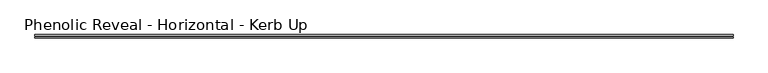
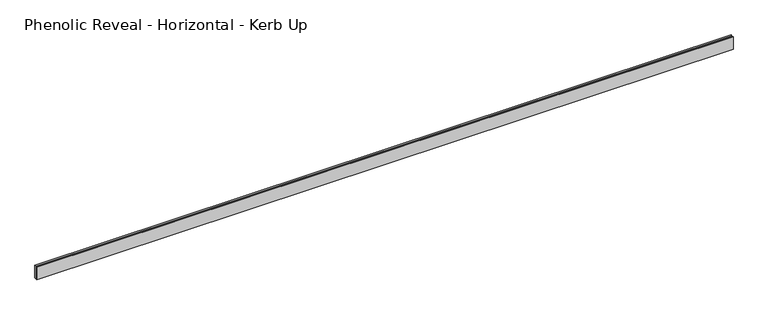
"""IFC4 building model written with IfcOpenShell, lengths in millimetres: proxy geometry, Phenolic Reveal - Horizontal - Kerb Up."""

from ifc_helpers import new_model, si_unit, origin, place, context, project, spatial, faceted_brep, source, transform, mapped, element, save


def phenolic_reveal_horizontal_kerb_up_5b0314ac(model_context):
    return source(origin(), model_context, "Body", "Brep", [
        faceted_brep([(2033.5875, 9.525, 0.0), (2033.5875, 9.525, 38.1), (2033.5875, 6.0765851, 38.1), (2033.5875, 6.0765851, 0.0), (2033.5875, 3.3757545, 0.0), (2033.5875, 3.3757545, 38.1), (2033.5875, 0.0, 38.1), (2033.5875, 0.0, 0.0), (0.0, 0.0, 0.0), (0.0, 0.0, 38.1), (0.0, 3.3757545, 38.1), (0.0, 3.3757545, 0.0), (0.0, 6.0765851, 0.0), (0.0, 6.0765851, 38.1), (0.0, 9.525, 38.1), (0.0, 9.525, 0.0), (2022.475, 6.0765851, 0.0), (2022.475, 3.3757545, 0.0), (11.1125, 3.3757545, 0.0), (11.1125, 6.0765851, 0.0), (2022.475, 6.0765851, 26.9875), (2022.475, 3.3757545, 26.9875), (11.1125, 6.0765851, 26.9875), (11.1125, 3.3757545, 26.9875)], [[[0, 1, 2, 3]], [[4, 5, 6, 7]], [[8, 9, 10, 11]], [[12, 13, 14, 15]], [[1, 0, 15, 14]], [[6, 5, 10, 9]], [[7, 6, 9, 8]], [[15, 0, 3, 16, 17, 4, 7, 8, 11, 18, 19, 12]], [[16, 20, 21, 17]], [[22, 19, 18, 23]], [[13, 2, 1, 14]], [[12, 19, 22, 20, 16, 3, 2, 13]], [[20, 22, 23, 21]], [[4, 17, 21, 23, 18, 11, 10, 5]]]),
    ])


if __name__ == "__main__":
    model = new_model("IFC4")
    model_context = context("Model", 3, world=origin())
    ifc_project = project(units=[si_unit("LENGTHUNIT", "METRE", prefix="MILLI")], contexts=[model_context])
    site = spatial("IfcSite", under=ifc_project)
    building = spatial("IfcBuilding", under=site)
    placement = place(None, origin())
    phenolic_reveal_horizontal_kerb_up_shape = phenolic_reveal_horizontal_kerb_up_5b0314ac(model_context)
    element("IfcBuildingElementProxy", 1, Name="Phenolic Reveal - Horizontal - Kerb Up", ObjectType="Phenolic Reveal - Horizontal - Kerb Up", at=placement, inside=building, context=model_context, shape_type="MappedRepresentation", body=[
        mapped(phenolic_reveal_horizontal_kerb_up_shape, transform((0.0, 0.0, 0.0), x_axis=(1.0, 0.0, 0.0), y_axis=(0.0, 1.0, 0.0), z_axis=(0.0, 0.0, 1.0))),
    ])
    save(model, "model.ifc")
